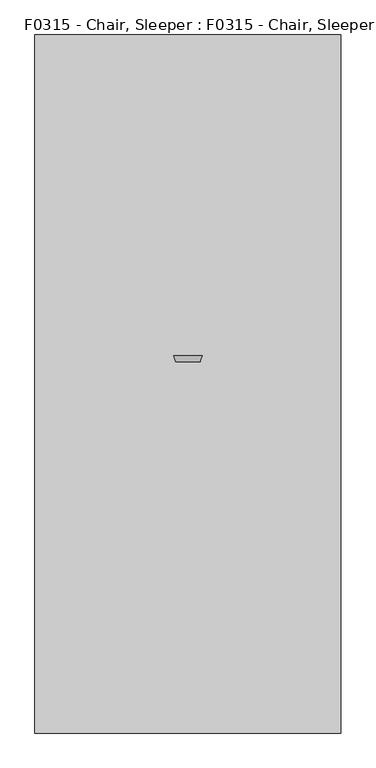
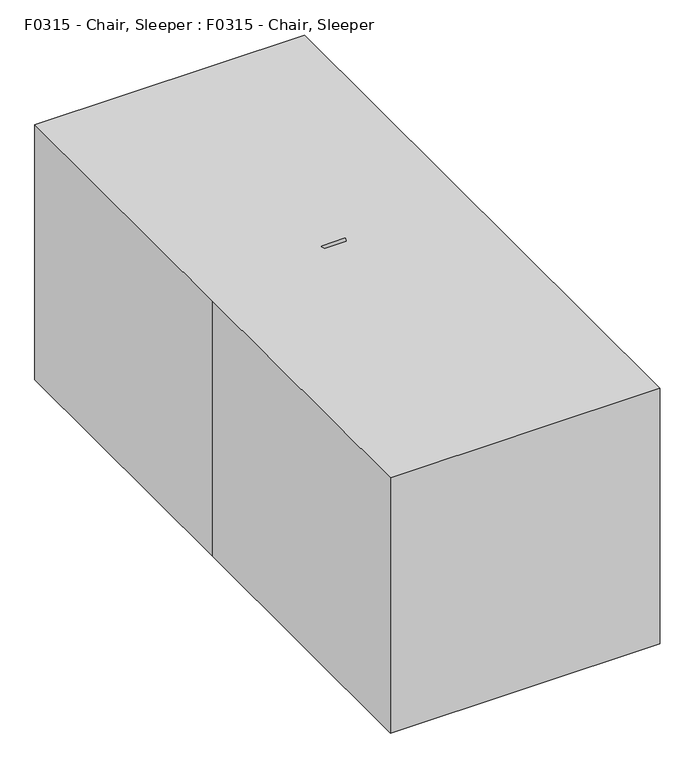
"""IFC4 building model written with IfcOpenShell, lengths in millimetres: proxy geometry, F0315 - Chair, Sleeper : F0315 - Chair, Sleeper."""

from ifc_helpers import new_model, si_unit, point, frame, frame_2d, origin, origin_with_axes, place, context, project, spatial, polyline, circle_curve, trimmed, segment, composite_curve, outline, extrude, source, transform, mapped, element, save


def f0315_chair_sleeper_f0315_chair_sleeper_ef809c1e(model_context):
    return source(origin(), model_context, "Body", "SweptSolid", [
        extrude(outline(polyline([(368.3, -38.1), (368.3, -101.6), (-368.3, -101.6), (-368.3, -38.1), (368.3, -38.1)])), frame((0.0, 0.0, 19.05), z_axis=(0.0, 0.0, 1.0), x_axis=(1.0, 0.0, 0.0)), (0.0, 0.0, 1.0), 793.75),
        extrude(outline(composite_curve([segment(polyline([(730.25, 0.0), (6.35, 0.0), (6.35, 457.2)]), True, "CONTINUOUS"), segment(trimmed(circle_curve(frame_2d((368.3, 249.3818182)), 417.3681818), [point((6.35, 457.2))], [point((730.25, 457.2))], False, "CARTESIAN"), True, "CONTINUOUS"), segment(polyline([(730.25, 457.2), (730.25, 0.0)]), True, "CONTINUOUS")], self_intersect=False)), frame((368.3, 36.0313906, 321.1167999), z_axis=(0.0, 0.9975640502598243, 0.06975647374412544), x_axis=(-1.0, 0.0, 0.0)), (0.0, 0.0, 1.0), 101.6),
        extrude(outline(composite_curve([segment(trimmed(circle_curve(frame_2d((725.3762413, 33.3089154)), 31.75), [point((757.1262413, 33.3089154))], [point((693.6262413, 33.3089154))], False, "CARTESIAN"), True, "CONTINUOUS"), segment(trimmed(circle_curve(frame_2d((725.3762413, 33.3089154)), 31.75), [point((693.6262413, 33.3089154))], [point((757.1262413, 33.3089154))], False, "CARTESIAN"), True, "CONTINUOUS")], self_intersect=False)), frame((374.65, 0.0, 0.0), z_axis=(1.0, 0.0, 0.0), x_axis=(0.0, 1.0, 0.0)), (0.0, 0.0, 1.0), 50.8),
        extrude(outline(polyline([(368.3, 771.7843123), (431.8, 771.7843123), (431.8, 679.45), (368.3, 679.45), (368.3, 771.7843123)])), frame((0.0, 0.0, 66.4991051), z_axis=(0.0, 0.0, 1.0), x_axis=(1.0, 0.0, 0.0)), (0.0, 0.0, 1.0), 35.1008949),
        extrude(outline(polyline([(-95.25, 76.2), (-95.25, 101.6), (-2.9156877, 101.6), (-2.9156877, 76.2), (-20.5078438, 0.0), (-77.6578438, 0.0), (-95.25, 76.2)])), frame((368.3, 0.0, 0.0), z_axis=(1.0, 0.0, 0.0), x_axis=(0.0, 1.0, 0.0)), (0.0, 0.0, 1.0), 63.5),
        extrude(outline(composite_curve([segment(polyline([(101.6, 0.0), (101.6, 657.1989762)]), True, "CONTINUOUS"), segment(trimmed(circle_curve(frame_2d((101.6, -2941.9810238)), 3599.18), [point((101.6, 657.1989762))], [point((774.7, 593.6989762))], False, "CARTESIAN"), True, "CONTINUOUS"), segment(polyline([(774.7, 593.6989762), (774.7, 101.6), (673.1, 101.6), (673.1, 0.0), (101.6, 0.0)]), True, "CONTINUOUS")], self_intersect=False)), frame((368.3, 0.0, 0.0), z_axis=(1.0, 0.0, 0.0), x_axis=(0.0, 1.0, 0.0)), (0.0, 0.0, 1.0), 63.5),
        extrude(outline(composite_curve([segment(polyline([(0.0, 101.6), (-101.6, 101.6), (-101.6, 812.8), (0.0, 812.8)]), True, "CONTINUOUS"), segment(trimmed(circle_curve(frame_2d((-152.4, 609.6)), 254.0), [point((0.0, 812.8))], [point((101.6, 609.6))], False, "CARTESIAN"), True, "CONTINUOUS"), segment(polyline([(101.6, 609.6), (101.6, 0.0), (0.0, 0.0), (0.0, 101.6)]), True, "CONTINUOUS")], self_intersect=False)), frame((368.3, 0.0, 0.0), z_axis=(1.0, 0.0, 0.0), x_axis=(0.0, 1.0, 0.0)), (0.0, 0.0, 1.0), 63.5),
        extrude(outline(composite_curve([segment(trimmed(circle_curve(frame_2d((725.3762413, 33.3089154)), 31.75), [point((757.1262413, 33.3089154))], [point((693.6262413, 33.3089154))], False, "CARTESIAN"), True, "CONTINUOUS"), segment(trimmed(circle_curve(frame_2d((725.3762413, 33.3089154)), 31.75), [point((693.6262413, 33.3089154))], [point((757.1262413, 33.3089154))], False, "CARTESIAN"), True, "CONTINUOUS")], self_intersect=False)), frame((-425.45, 0.0, 0.0), z_axis=(1.0, 0.0, 0.0), x_axis=(0.0, 1.0, 0.0)), (0.0, 0.0, 1.0), 50.8),
        extrude(outline(composite_curve([segment(polyline([(431.8, 342.9), (431.8, -342.9)]), True, "CONTINUOUS"), segment(trimmed(circle_curve(frame_2d((406.4, -342.9)), 25.4), [point((431.8, -342.9))], [point((406.4, -368.3))], False, "CARTESIAN"), True, "CONTINUOUS"), segment(polyline([(406.4, -368.3), (330.2, -368.3), (330.2, 368.3), (406.4, 368.3)]), True, "CONTINUOUS"), segment(trimmed(circle_curve(frame_2d((406.4, 342.9)), 25.4), [point((406.4, 368.3))], [point((431.8, 342.9))], False, "CARTESIAN"), True, "CONTINUOUS")], self_intersect=False)), frame((0.0, 137.0781099, 0.0), z_axis=(0.0, 1.0, 0.0), x_axis=(0.0, 0.0, 1.0)), (0.0, 0.0, 1.0), 675.7218901),
        extrude(outline(polyline([(-368.3, 679.45), (-431.8, 679.45), (-431.8, 771.7843123), (-368.3, 771.7843123), (-368.3, 679.45)])), frame((0.0, 0.0, 66.4991051), z_axis=(0.0, 0.0, 1.0), x_axis=(1.0, 0.0, 0.0)), (0.0, 0.0, 1.0), 35.1008949),
        extrude(outline(polyline([(368.3, 762.0), (-368.3, 762.0), (-368.3, 812.8), (368.3, 812.8), (368.3, 762.0)])), frame((0.0, 0.0, 19.05), z_axis=(0.0, 0.0, 1.0), x_axis=(1.0, 0.0, 0.0)), (0.0, 0.0, 1.0), 304.8),
        extrude(outline(polyline([(-95.25, 76.2), (-95.25, 101.6), (-2.9156877, 101.6), (-2.9156877, 76.2), (-20.5078438, 0.0), (-77.6578438, 0.0), (-95.25, 76.2)])), frame((-431.8, 0.0, 0.0), z_axis=(1.0, 0.0, 0.0), x_axis=(0.0, 1.0, 0.0)), (0.0, 0.0, 1.0), 63.5),
        extrude(outline(composite_curve([segment(polyline([(101.6, 0.0), (101.6, 657.1989762)]), True, "CONTINUOUS"), segment(trimmed(circle_curve(frame_2d((101.6, -2941.9810238)), 3599.18), [point((101.6, 657.1989762))], [point((774.7, 593.6989762))], False, "CARTESIAN"), True, "CONTINUOUS"), segment(polyline([(774.7, 593.6989762), (774.7, 101.6), (673.1, 101.6), (673.1, 0.0), (101.6, 0.0)]), True, "CONTINUOUS")], self_intersect=False)), frame((-431.8, 0.0, 0.0), z_axis=(1.0, 0.0, 0.0), x_axis=(0.0, 1.0, 0.0)), (0.0, 0.0, 1.0), 63.5),
        extrude(outline(composite_curve([segment(polyline([(0.0, 101.6), (-101.6, 101.6), (-101.6, 812.8), (0.0, 812.8)]), True, "CONTINUOUS"), segment(trimmed(circle_curve(frame_2d((-152.4, 609.6)), 254.0), [point((0.0, 812.8))], [point((101.6, 609.6))], False, "CARTESIAN"), True, "CONTINUOUS"), segment(polyline([(101.6, 609.6), (101.6, 0.0), (0.0, 0.0), (0.0, 101.6)]), True, "CONTINUOUS")], self_intersect=False)), frame((-431.8, 0.0, 0.0), z_axis=(1.0, 0.0, 0.0), x_axis=(0.0, 1.0, 0.0)), (0.0, 0.0, 1.0), 63.5),
        extrude(outline(polyline([(-495.3, -1130.3), (-495.3, 0.0), (-495.3, 1130.3), (495.3, 1130.3), (495.3, -1130.3), (-495.3, -1130.3)])), origin_with_axes(), (0.0, 0.0, 1.0), 990.6),
    ])


if __name__ == "__main__":
    model = new_model("IFC4")
    model_context = context("Model", 3, world=origin())
    ifc_project = project(units=[si_unit("LENGTHUNIT", "METRE", prefix="MILLI")], contexts=[model_context])
    site = spatial("IfcSite", under=ifc_project)
    building = spatial("IfcBuilding", under=site)
    placement = place(None, origin())
    f0315_chair_sleeper_f0315_chair_sleeper_shape = f0315_chair_sleeper_f0315_chair_sleeper_ef809c1e(model_context)
    element("IfcBuildingElementProxy", 1, Name="F0315 - Chair, Sleeper : F0315 - Chair, Sleeper", ObjectType="F0315 - Chair, Sleeper : F0315 - Chair, Sleeper", at=placement, inside=building, context=model_context, shape_type="MappedRepresentation", body=[
        mapped(f0315_chair_sleeper_f0315_chair_sleeper_shape, transform((0.0, 0.0, 0.0), x_axis=(1.0, 0.0, 0.0), y_axis=(0.0, 1.0, 0.0), z_axis=(0.0, 0.0, 1.0))),
    ])
    save(model, "model.ifc")
